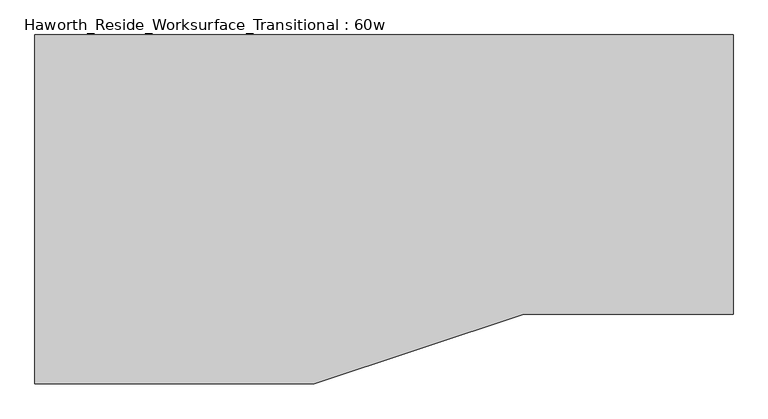
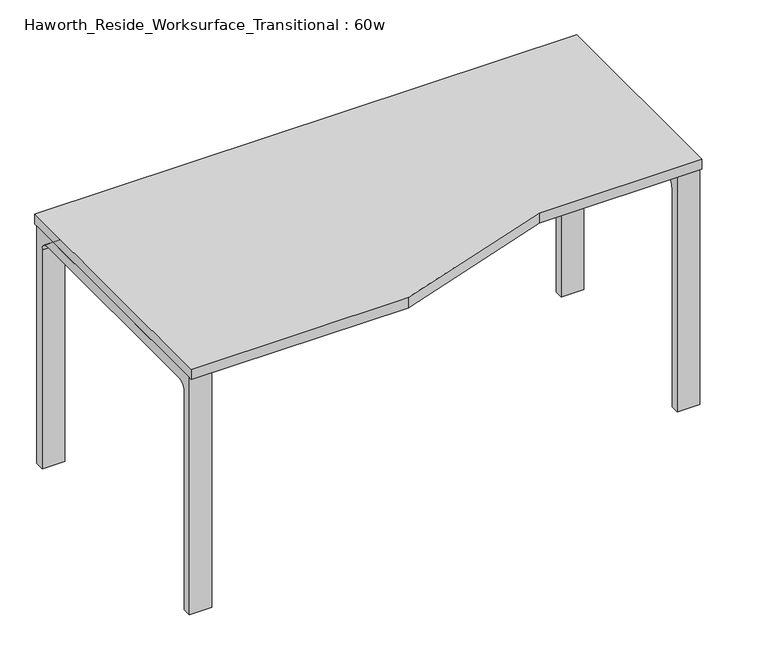
"""IFC4 building model written with IfcOpenShell, lengths in millimetres: furniture geometry, Haworth_Reside_Worksurface_Transitional : 60w."""

from ifc_helpers import new_model, si_unit, point, frame, frame_2d, origin, place, context, project, spatial, polyline, circle_curve, trimmed, segment, composite_curve, outline, extrude, source, transform, mapped, element, save


def haworth_reside_worksurface_transitional_60w_6690b2f9(model_context):
    return source(origin(), model_context, "Body", "SweptSolid", [
        extrude(outline(composite_curve([segment(trimmed(circle_curve(frame_2d((396.875, 650.875)), 25.4), [point((422.275, 650.875))], [point((396.875, 676.275))], True, "CARTESIAN"), True, "CONTINUOUS"), segment(polyline([(396.875, 676.275), (-92.075, 676.275)]), True, "CONTINUOUS"), segment(trimmed(circle_curve(frame_2d((-92.075, 650.875)), 25.4), [point((-92.075, 676.275))], [point((-117.475, 650.875))], True, "CARTESIAN"), True, "CONTINUOUS"), segment(polyline([(-117.475, 650.875), (-117.475, 0.0), (-142.875, 0.0), (-142.875, 706.4375), (447.675, 706.4375), (447.675, 0.0), (422.275, 0.0), (422.275, 650.875)]), True, "CONTINUOUS")], self_intersect=False)), frame((698.5, 0.0, 0.0), z_axis=(1.0, 0.0, 0.0), x_axis=(0.0, 1.0, 0.0)), (0.0, 0.0, 1.0), 63.5),
        extrude(outline(composite_curve([segment(trimmed(circle_curve(frame_2d((396.875, 650.875)), 25.4), [point((422.275, 650.875))], [point((396.875, 676.275))], True, "CARTESIAN"), True, "CONTINUOUS"), segment(polyline([(396.875, 676.275), (-244.475, 676.275)]), True, "CONTINUOUS"), segment(trimmed(circle_curve(frame_2d((-244.475, 650.875)), 25.4), [point((-244.475, 676.275))], [point((-269.875, 650.875))], True, "CARTESIAN"), True, "CONTINUOUS"), segment(polyline([(-269.875, 650.875), (-269.875, 0.0), (-295.275, 0.0), (-295.275, 706.4375), (447.675, 706.4375), (447.675, 0.0), (422.275, 0.0), (422.275, 650.875)]), True, "CONTINUOUS")], self_intersect=False)), frame((-762.0, 0.0, 0.0), z_axis=(1.0, 0.0, 0.0), x_axis=(0.0, 1.0, 0.0)), (0.0, 0.0, 1.0), 63.5),
        extrude(outline(polyline([(-762.0, 457.2), (762.0, 457.2), (762.0, -152.4), (304.8, -152.4), (-152.4, -304.8), (-762.0, -304.8), (-762.0, 457.2)])), frame((0.0, 0.0, 706.4375), z_axis=(0.0, 0.0, 1.0), x_axis=(1.0, 0.0, 0.0)), (0.0, 0.0, 1.0), 30.1625),
    ])


if __name__ == "__main__":
    model = new_model("IFC4")
    model_context = context("Model", 3, world=origin())
    ifc_project = project(units=[si_unit("LENGTHUNIT", "METRE", prefix="MILLI")], contexts=[model_context])
    site = spatial("IfcSite", under=ifc_project)
    building = spatial("IfcBuilding", under=site)
    placement = place(None, origin())
    haworth_reside_worksurface_transitional_60w_shape = haworth_reside_worksurface_transitional_60w_6690b2f9(model_context)
    element("IfcFurniture", 1, ObjectType="Haworth_Reside_Worksurface_Transitional : 60w", at=placement, inside=building, context=model_context, shape_type="MappedRepresentation", body=[
        mapped(haworth_reside_worksurface_transitional_60w_shape, transform((0.0, 0.0, 0.0), x_axis=(1.0, 0.0, 0.0), y_axis=(0.0, 1.0, 0.0), z_axis=(0.0, 0.0, 1.0))),
    ])
    save(model, "model.ifc")
